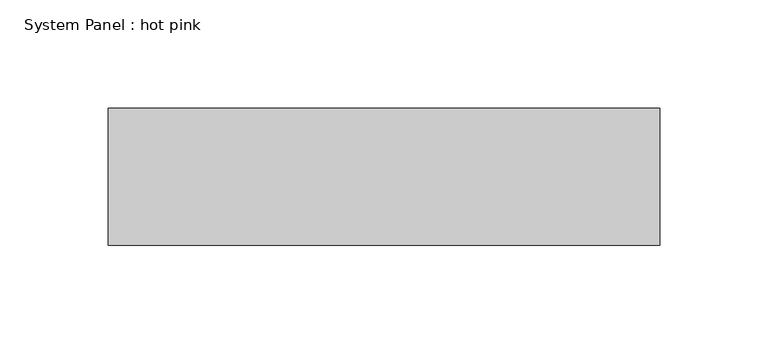
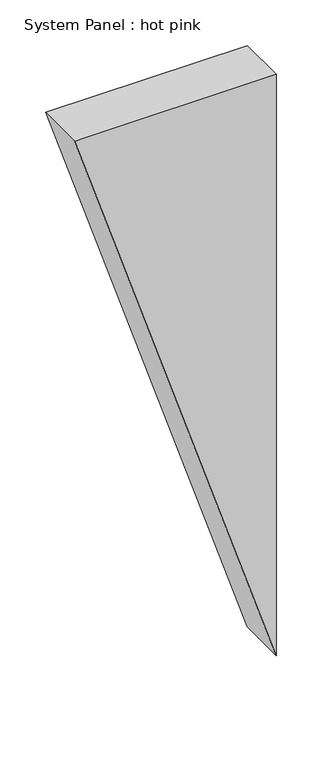
"""IFC4 building model written with IfcOpenShell, lengths in millimetres: plate geometry, System Panel : hot pink."""

from ifc_helpers import new_model, si_unit, frame, origin, place, context, project, spatial, polyline, outline, extrude, source, transform, mapped, element, save


def system_panel_hot_pink_7d499125(model_context):
    return source(origin(), model_context, "Body", "SweptSolid", [
        extrude(outline(polyline([(778.1654114, -127.5633349), (0.0, 127.5633349), (778.1654114, 127.5633349), (778.1654114, -127.5633349)])), frame((0.0, -44.45, 0.0), z_axis=(0.0, 1.0, 0.0), x_axis=(0.0, 0.0, 1.0)), (0.0, 0.0, 1.0), 63.5),
    ])


if __name__ == "__main__":
    model = new_model("IFC4")
    model_context = context("Model", 3, world=origin())
    ifc_project = project(units=[si_unit("LENGTHUNIT", "METRE", prefix="MILLI")], contexts=[model_context])
    site = spatial("IfcSite", under=ifc_project)
    building = spatial("IfcBuilding", under=site)
    placement = place(None, origin())
    system_panel_hot_pink_shape = system_panel_hot_pink_7d499125(model_context)
    element("IfcPlate", 1, ObjectType="System Panel : hot pink", at=placement, inside=building, context=model_context, shape_type="MappedRepresentation", body=[
        mapped(system_panel_hot_pink_shape, transform((0.0, 0.0, 0.0), x_axis=(1.0, 0.0, 0.0), y_axis=(0.0, 1.0, 0.0), z_axis=(0.0, 0.0, 1.0))),
    ])
    save(model, "model.ifc")
